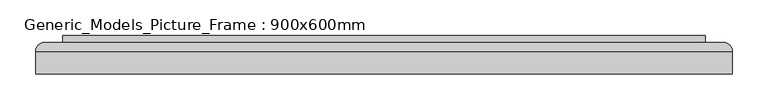
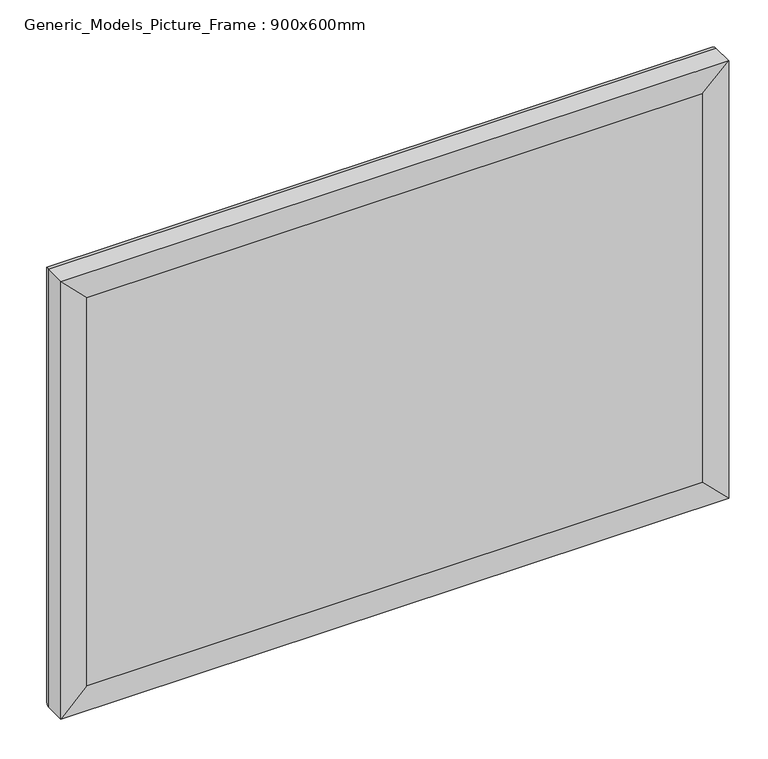
"""IFC4 building model written with IfcOpenShell, lengths in millimetres: proxy geometry, Generic_Models_Picture_Frame : 900x600mm."""

from ifc_helpers import new_model, si_unit, frame, origin, place, context, project, spatial, polyline, ellipse_curve, outline, extrude, source, transform, mapped, element, save
from ifc_brep_helpers import plane_surface, cylinder_surface, advanced_brep


def generic_models_picture_frame_900x600mm_b2fd646b(model_context):
    return source(origin(), model_context, "Body", "SolidModel", [
        extrude(outline(polyline([(-450.0, 101.6), (450.0, 101.6), (450.0, 47.5), (-450.0, 47.5), (-450.0, 101.6)])), frame((0.0, 0.0, 1200.0), z_axis=(0.0, 0.0, 1.0), x_axis=(1.0, 0.0, 0.0)), (0.0, 0.0, 1.0), 600.0),
        advanced_brep(
        [(-450.0, 47.5, 1800.0), (-488.1, 47.5, 1838.1), (-488.1, 47.5, 1161.9), (-450.0, 47.5, 1200.0), (-450.0, 72.9, 1800.0), (-450.0, 72.9, 1200.0), (-430.95, 72.9, 1780.95), (-430.95, 72.9, 1219.05), (-430.95, 79.25, 1780.95), (-430.95, 79.25, 1219.05), (-443.65, 91.95, 1793.65), (-443.65, 91.95, 1206.35), (-475.4, 91.95, 1825.4), (-475.4, 91.95, 1174.6), (-488.1, 79.25, 1838.1), (-488.1, 79.25, 1161.9), (488.1, 47.5, 1161.9), (450.0, 47.5, 1200.0), (450.0, 72.9, 1200.0), (430.95, 72.9, 1219.05), (430.95, 79.25, 1219.05), (443.65, 91.95, 1206.35), (475.4, 91.95, 1174.6), (488.1, 79.25, 1161.9), (488.1, 47.5, 1838.1), (450.0, 47.5, 1800.0), (450.0, 72.9, 1800.0), (430.95, 72.9, 1780.95), (430.95, 79.25, 1780.95), (443.65, 91.95, 1793.65), (475.4, 91.95, 1825.4), (488.1, 79.25, 1838.1)],
        [
            (0, 1),
            (1, 2),
            (2, 3),
            (3, 0),
            (4, 0),
            (3, 5),
            (5, 4),
            (6, 4),
            (5, 7),
            (7, 6),
            (8, 6),
            (7, 9),
            (9, 8),
            (10, 8, ellipse_curve(frame((-443.65, 79.25, 1793.65), z_axis=(-0.7071067811865475, 0.0, -0.7071067811865475), x_axis=(-0.7071067811865474, 0.0, 0.7071067811865476)), 17.9605122, 12.7)),
            (9, 11, ellipse_curve(frame((-443.65, 79.25, 1206.35), z_axis=(-0.7071067811865475, 0.0, 0.7071067811865475), x_axis=(0.7071067811865474, 0.0, 0.7071067811865476)), 17.9605122, 12.7)),
            (11, 10),
            (12, 10),
            (11, 13),
            (13, 12),
            (14, 12, ellipse_curve(frame((-475.4, 79.25, 1825.4), z_axis=(-0.7071067811865475, 0.0, -0.7071067811865475), x_axis=(-0.7071067811865474, 0.0, 0.7071067811865476)), 17.9605122, 12.7)),
            (13, 15, ellipse_curve(frame((-475.4, 79.25, 1174.6), z_axis=(-0.7071067811865475, 0.0, 0.7071067811865475), x_axis=(0.7071067811865474, 0.0, 0.7071067811865476)), 17.9605122, 12.7)),
            (15, 14),
            (1, 14),
            (15, 2),
            (2, 16),
            (16, 17),
            (17, 3),
            (17, 18),
            (18, 5),
            (18, 19),
            (19, 7),
            (19, 20),
            (20, 9),
            (20, 21, ellipse_curve(frame((443.65, 79.25, 1206.35), z_axis=(-0.7071067811865475, 0.0, -0.7071067811865475), x_axis=(-0.7071067811865476, 0.0, 0.7071067811865474)), 17.9605122, 12.7)),
            (21, 11),
            (21, 22),
            (22, 13),
            (22, 23, ellipse_curve(frame((475.4, 79.25, 1174.6), z_axis=(-0.7071067811865475, 0.0, -0.7071067811865475), x_axis=(-0.7071067811865476, 0.0, 0.7071067811865474)), 17.9605122, 12.7)),
            (23, 15),
            (23, 16),
            (16, 24),
            (24, 25),
            (25, 17),
            (25, 26),
            (26, 18),
            (26, 27),
            (27, 19),
            (27, 28),
            (28, 20),
            (28, 29, ellipse_curve(frame((443.65, 79.25, 1793.65), z_axis=(0.7071067811865475, 0.0, -0.7071067811865475), x_axis=(-0.7071067811865474, 0.0, -0.7071067811865476)), 17.9605122, 12.7)),
            (29, 21),
            (29, 30),
            (30, 22),
            (30, 31, ellipse_curve(frame((475.4, 79.25, 1825.4), z_axis=(0.7071067811865475, 0.0, -0.7071067811865475), x_axis=(-0.7071067811865474, 0.0, -0.7071067811865476)), 17.9605122, 12.7)),
            (31, 23),
            (31, 24),
            (24, 1),
            (0, 25),
            (4, 26),
            (6, 27),
            (8, 28),
            (10, 29),
            (12, 30),
            (14, 31),
        ],
        [
            plane_surface(frame((-488.1, 47.5, 1838.1), z_axis=(0.0, -1.0, 0.0), x_axis=(0.0, 0.0, -1.0))),
            plane_surface(frame((-450.0, 47.5, 1800.0), z_axis=(1.0, 0.0, 0.0), x_axis=(0.0, 0.0, -1.0))),
            plane_surface(frame((-450.0, 72.9, 1800.0), z_axis=(0.0, -1.0, 0.0), x_axis=(0.0, 0.0, -1.0))),
            plane_surface(frame((-430.95, 72.9, 1780.95), z_axis=(1.0, 0.0, 0.0), x_axis=(0.0, 0.0, -1.0))),
            cylinder_surface(frame((-443.65, 79.25, 1800.0), z_axis=(0.0, 0.0, 1.0), x_axis=(-1.0, 0.0, 0.0)), 12.7),
            plane_surface(frame((-443.65, 91.95, 1793.65), z_axis=(0.0, 1.0, 0.0), x_axis=(0.0, 0.0, -1.0))),
            cylinder_surface(frame((-475.4, 79.25, 1800.0), z_axis=(0.0, 0.0, 1.0), x_axis=(-1.0, 0.0, 0.0)), 12.7),
            plane_surface(frame((-488.1, 79.25, 1838.1), z_axis=(-1.0, 0.0, 0.0), x_axis=(0.0, 0.0, -1.0))),
            plane_surface(frame((-488.1, 47.5, 1161.9), z_axis=(0.0, -1.0, 0.0), x_axis=(1.0, 0.0, 0.0))),
            plane_surface(frame((-450.0, 47.5, 1200.0), z_axis=(0.0, 0.0, 1.0), x_axis=(1.0, 0.0, 0.0))),
            plane_surface(frame((-450.0, 72.9, 1200.0), z_axis=(0.0, -1.0, 0.0), x_axis=(1.0, 0.0, 0.0))),
            plane_surface(frame((-430.95, 72.9, 1219.05), z_axis=(0.0, 0.0, 1.0), x_axis=(1.0, 0.0, 0.0))),
            cylinder_surface(frame((-450.0, 79.25, 1206.35), z_axis=(-1.0, 0.0, 0.0), x_axis=(0.0, 0.0, -1.0)), 12.7),
            plane_surface(frame((-443.65, 91.95, 1206.35), z_axis=(0.0, 1.0, 0.0), x_axis=(1.0, 0.0, 0.0))),
            cylinder_surface(frame((-450.0, 79.25, 1174.6), z_axis=(-1.0, 0.0, 0.0), x_axis=(0.0, 0.0, -1.0)), 12.7),
            plane_surface(frame((-488.1, 79.25, 1161.9), z_axis=(0.0, 0.0, -1.0), x_axis=(1.0, 0.0, 0.0))),
            plane_surface(frame((488.1, 47.5, 1161.9), z_axis=(0.0, -1.0, 0.0), x_axis=(0.0, 0.0, 1.0))),
            plane_surface(frame((450.0, 47.5, 1200.0), z_axis=(-1.0, 0.0, 0.0), x_axis=(0.0, 0.0, 1.0))),
            plane_surface(frame((450.0, 72.9, 1200.0), z_axis=(0.0, -1.0, 0.0), x_axis=(0.0, 0.0, 1.0))),
            plane_surface(frame((430.95, 72.9, 1219.05), z_axis=(-1.0, 0.0, 0.0), x_axis=(0.0, 0.0, 1.0))),
            cylinder_surface(frame((443.65, 79.25, 1200.0), z_axis=(0.0, 0.0, -1.0), x_axis=(1.0, 0.0, 0.0)), 12.7),
            plane_surface(frame((443.65, 91.95, 1206.35), z_axis=(0.0, 1.0, 0.0), x_axis=(0.0, 0.0, 1.0))),
            cylinder_surface(frame((475.4, 79.25, 1200.0), z_axis=(0.0, 0.0, -1.0), x_axis=(1.0, 0.0, 0.0)), 12.7),
            plane_surface(frame((488.1, 79.25, 1161.9), z_axis=(1.0, 0.0, 0.0), x_axis=(0.0, 0.0, 1.0))),
            plane_surface(frame((488.1, 47.5, 1838.1), z_axis=(0.0, -1.0, 0.0), x_axis=(-1.0, 0.0, 0.0))),
            plane_surface(frame((450.0, 47.5, 1800.0), z_axis=(0.0, 0.0, -1.0), x_axis=(-1.0, 0.0, 0.0))),
            plane_surface(frame((450.0, 72.9, 1800.0), z_axis=(0.0, -1.0, 0.0), x_axis=(-1.0, 0.0, 0.0))),
            plane_surface(frame((430.95, 72.9, 1780.95), z_axis=(0.0, 0.0, -1.0), x_axis=(-1.0, 0.0, 0.0))),
            cylinder_surface(frame((450.0, 79.25, 1793.65), z_axis=(1.0, 0.0, 0.0), x_axis=(0.0, 0.0, 1.0)), 12.7),
            plane_surface(frame((443.65, 91.95, 1793.65), z_axis=(0.0, 1.0, 0.0), x_axis=(-1.0, 0.0, 0.0))),
            cylinder_surface(frame((450.0, 79.25, 1825.4), z_axis=(1.0, 0.0, 0.0), x_axis=(0.0, 0.0, 1.0)), 12.7),
            plane_surface(frame((488.1, 79.25, 1838.1), z_axis=(0.0, 0.0, 1.0), x_axis=(-1.0, 0.0, 0.0))),
        ],
        [
            (0, [[1, 2, 3, 4]]),
            (1, [[5, -4, 6, 7]]),
            (2, [[8, -7, 9, 10]]),
            (3, [[11, -10, 12, 13]]),
            (4, [[14, -13, 15, 16]]),
            (5, [[17, -16, 18, 19]]),
            (6, [[20, -19, 21, 22]]),
            (7, [[23, -22, 24, -2]]),
            (8, [[-3, 25, 26, 27]]),
            (9, [[-6, -27, 28, 29]]),
            (10, [[-9, -29, 30, 31]]),
            (11, [[-12, -31, 32, 33]]),
            (12, [[-15, -33, 34, 35]]),
            (13, [[-18, -35, 36, 37]]),
            (14, [[-21, -37, 38, 39]]),
            (15, [[-24, -39, 40, -25]]),
            (16, [[-26, 41, 42, 43]]),
            (17, [[-28, -43, 44, 45]]),
            (18, [[-30, -45, 46, 47]]),
            (19, [[-32, -47, 48, 49]]),
            (20, [[-34, -49, 50, 51]]),
            (21, [[-36, -51, 52, 53]]),
            (22, [[-38, -53, 54, 55]]),
            (23, [[-40, -55, 56, -41]]),
            (24, [[-42, 57, -1, 58]]),
            (25, [[-44, -58, -5, 59]]),
            (26, [[-46, -59, -8, 60]]),
            (27, [[-48, -60, -11, 61]]),
            (28, [[-50, -61, -14, 62]]),
            (29, [[-52, -62, -17, 63]]),
            (30, [[-54, -63, -20, 64]]),
            (31, [[-56, -64, -23, -57]]),
        ],
    ),
    ])


if __name__ == "__main__":
    model = new_model("IFC4")
    model_context = context("Model", 3, world=origin())
    ifc_project = project(units=[si_unit("LENGTHUNIT", "METRE", prefix="MILLI")], contexts=[model_context])
    site = spatial("IfcSite", under=ifc_project)
    building = spatial("IfcBuilding", under=site)
    placement = place(None, origin())
    generic_models_picture_frame_900x600mm_shape = generic_models_picture_frame_900x600mm_b2fd646b(model_context)
    element("IfcBuildingElementProxy", 1, Name="Generic_Models_Picture_Frame : 900x600mm", ObjectType="Generic_Models_Picture_Frame : 900x600mm", at=placement, inside=building, context=model_context, shape_type="MappedRepresentation", body=[
        mapped(generic_models_picture_frame_900x600mm_shape, transform((0.0, 0.0, 0.0), x_axis=(1.0, 0.0, 0.0), y_axis=(0.0, 1.0, 0.0), z_axis=(0.0, 0.0, 1.0))),
    ])
    save(model, "model.ifc")
